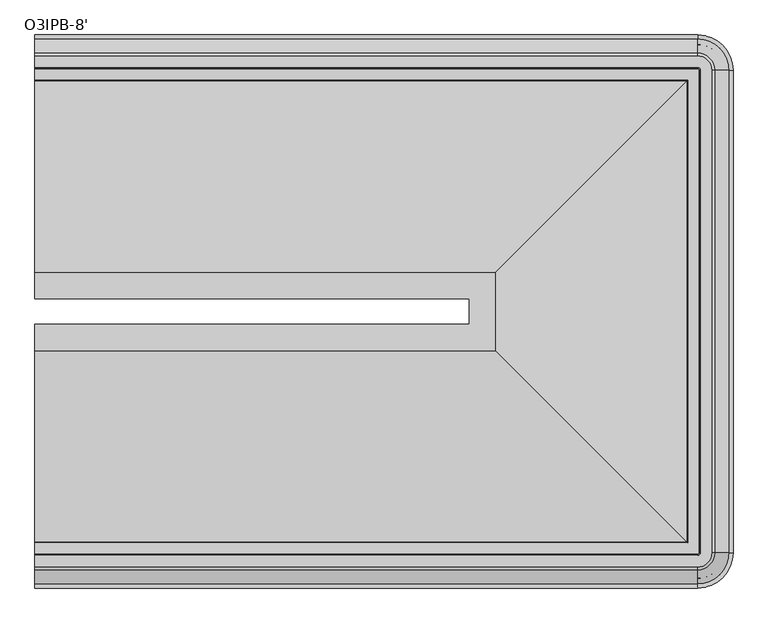
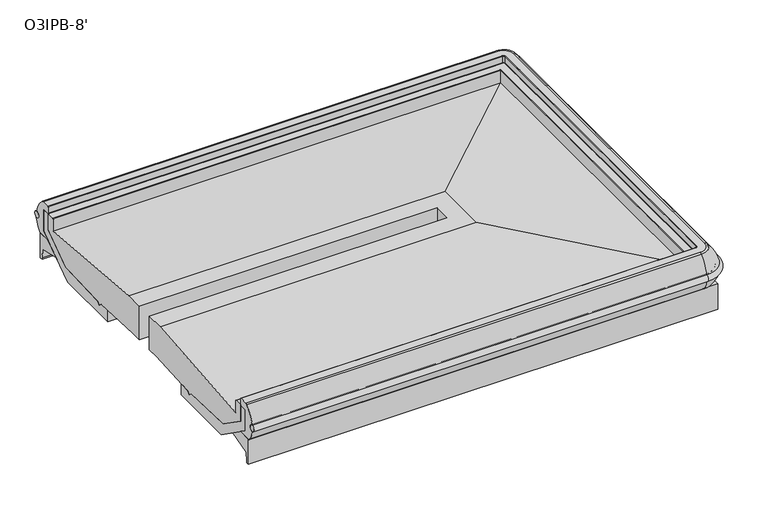
"""IFC4 building model written with IfcOpenShell, lengths in millimetres: proxy geometry, O3IPB-8'."""

from ifc_helpers import new_model, si_unit, point, frame, origin, place, context, project, spatial, polyline, circle_curve, ellipse_curve, trimmed, faceted_brep, source, transform, mapped, element, save
from ifc_brep_helpers import plane_surface, cylinder_surface, revolved_surface, advanced_brep


def o3ipb_8_96004b51(model_context):
    return source(origin(), model_context, "Body", "SolidModel", [
        advanced_brep(
        [(0.0, -1507.8694273, 640.7061243), (0.0, -1409.5264768, 640.7061243), (0.0, -1409.5264768, 451.5271474), (0.0, -1471.049877, 451.5271474), (0.0, -1764.6985468, 436.6496591), (0.0, -1779.7804526, 422.3615379), (0.0, -1794.8612198, 436.6485806), (0.0, -2093.0320063, 447.4408623), (0.0, -2255.8801353, 561.4683498), (0.0, -2255.8801353, 654.0287285), (0.0, -2254.2926353, 652.4421919), (0.0, -2211.7476353, 652.4421919), (0.0, -2210.1601353, 650.8546919), (0.0, -2210.1601353, 581.214329), (1592.3318495, -1409.5264768, 451.5271474), (1592.3318495, -1409.5264768, 640.7061243), (1592.3318495, -1317.3127778, 640.7061243), (1592.3318495, -1317.3127778, 451.5271474), (1947.5039195, -1764.6985468, 436.6496591), (1653.8552497, -1471.049877, 451.5271474), (1653.8552497, -1255.7893776, 451.5271474), (1947.5039195, -962.1407078, 436.6496591), (1962.5858253, -1779.7804526, 422.3615379), (1962.5858253, -947.058802, 422.3615379), (1977.6665925, -1794.8612198, 436.6485806), (1977.6665925, -931.9780348, 436.6485806), (2275.837379, -2093.0320063, 447.4408623), (2275.837379, -633.8072483, 447.4408623), (2438.685508, -2255.8801353, 561.4683498), (2438.685508, -470.9591193, 561.4683498), (2438.685508, -2255.8801353, 654.0287285), (2438.685508, -470.9591193, 654.0287285), (2437.098008, -2254.2926353, 652.4421919), (2437.098008, -472.5466193, 652.4421919), (2392.965508, -2210.1601353, 650.8546919), (2394.553008, -2211.7476353, 652.4421919), (2394.553008, -515.0916193, 652.4421919), (2392.965508, -516.6791193, 650.8546919), (2392.965508, -2210.1601353, 581.214329), (2392.965508, -516.6791193, 581.214329), (1690.6748, -1507.8694273, 640.7061243), (1690.6748, -1218.9698273, 640.7061243), (0.0, -1317.3127778, 640.7061243), (0.0, -1317.3127778, 451.5271474), (0.0, -1255.7893776, 451.5271474), (0.0, -962.1407078, 436.6496591), (0.0, -947.058802, 422.3615379), (0.0, -931.9780348, 436.6485806), (0.0, -633.8072483, 447.4408623), (0.0, -470.9591193, 561.4683498), (0.0, -470.9591193, 654.0287285), (0.0, -472.5466193, 652.4421919), (0.0, -515.0916193, 652.4421919), (0.0, -516.6791193, 650.8546919), (0.0, -516.6791193, 581.214329), (0.0, -1218.9698273, 640.7061243)],
        [
            (0, 1),
            (1, 2),
            (2, 3),
            (3, 4),
            (4, 5),
            (5, 6),
            (6, 7),
            (7, 8),
            (8, 9),
            (9, 10, circle_curve(frame((0.0, -2254.2926353, 654.0296919), z_axis=(1.0, 0.0, 0.0), x_axis=(0.0, 1.0, 0.0)), 1.5875)),
            (10, 11),
            (11, 12, circle_curve(frame((0.0, -2211.7476353, 650.8546919), z_axis=(-1.0, 0.0, 0.0), x_axis=(0.0, 1.0, 0.0)), 1.5875)),
            (12, 13),
            (13, 0),
            (14, 15),
            (15, 16),
            (16, 17),
            (17, 14),
            (18, 19),
            (19, 20),
            (20, 21),
            (21, 18),
            (22, 18),
            (21, 23),
            (23, 22),
            (24, 22),
            (23, 25),
            (25, 24),
            (26, 24),
            (25, 27),
            (27, 26),
            (28, 26),
            (27, 29),
            (29, 28),
            (30, 28),
            (29, 31),
            (31, 30),
            (32, 30, ellipse_curve(frame((2437.098008, -2254.2926353, 654.0296919), z_axis=(-0.7071067811865475, -0.7071067811865475, 0.0), x_axis=(-0.7071067811865474, 0.7071067811865476, 0.0)), 2.245064, 1.5875)),
            (31, 33, ellipse_curve(frame((2437.098008, -472.5466193, 654.0296919), z_axis=(-0.7071067811865475, 0.7071067811865475, 0.0), x_axis=(0.7071067811865474, 0.7071067811865476, 0.0)), 2.245064, 1.5875)),
            (33, 32),
            (34, 35, ellipse_curve(frame((2394.553008, -2211.7476353, 650.8546919), z_axis=(0.7071067811865475, 0.7071067811865475, 0.0), x_axis=(0.7071067811865474, -0.7071067811865476, 0.0)), 2.245064, 1.5875)),
            (35, 36),
            (36, 37, ellipse_curve(frame((2394.553008, -515.0916193, 650.8546919), z_axis=(0.7071067811865475, -0.7071067811865475, 0.0), x_axis=(-0.7071067811865474, -0.7071067811865476, 0.0)), 2.245064, 1.5875)),
            (37, 34),
            (38, 34),
            (37, 39),
            (39, 38),
            (40, 38),
            (39, 41),
            (41, 40),
            (16, 42),
            (42, 43),
            (43, 17),
            (20, 44),
            (44, 45),
            (45, 21),
            (45, 46),
            (46, 23),
            (46, 47),
            (47, 25),
            (47, 48),
            (48, 27),
            (48, 49),
            (49, 29),
            (49, 50),
            (50, 31),
            (50, 51, circle_curve(frame((0.0, -472.5466193, 654.0296919), z_axis=(-1.0, 0.0, 0.0), x_axis=(0.0, -1.0, 0.0)), 1.5875)),
            (51, 33),
            (36, 52),
            (52, 53, circle_curve(frame((0.0, -515.0916193, 650.8546919), z_axis=(1.0, 0.0, 0.0), x_axis=(0.0, -1.0, 0.0)), 1.5875)),
            (53, 37),
            (53, 54),
            (54, 39),
            (54, 55),
            (55, 41),
            (52, 51),
            (44, 43),
            (42, 55),
            (0, 40),
            (15, 1),
            (14, 2),
            (19, 3),
            (18, 4),
            (22, 5),
            (24, 6),
            (26, 7),
            (28, 8),
            (30, 9),
            (32, 10),
            (35, 11),
            (34, 12),
            (38, 13),
        ],
        [
            plane_surface(frame((0.0, -2377.8321273, 0.0), z_axis=(-1.0, 0.0, 0.0), x_axis=(0.0, 0.0, 1.0))),
            plane_surface(frame((1592.3318495, -1409.5264768, 640.7061243), z_axis=(-1.0, 0.0, 0.0), x_axis=(0.0, 1.0, 0.0))),
            plane_surface(frame((1653.8552497, -1471.049877, 451.5271474), z_axis=(-0.050599346041855724, 0.0, -0.9987190326513942), x_axis=(0.0, 1.0, 0.0))),
            plane_surface(frame((1947.5039195, -1764.6985468, 436.6496591), z_axis=(-0.6877446479107696, 0.0, -0.7259526839058396), x_axis=(0.0, 1.0, 0.0))),
            plane_surface(frame((1962.5858253, -1779.7804526, 422.3615379), z_axis=(0.6877446479107798, 0.0, -0.7259526839058297), x_axis=(0.0, 1.0, 0.0))),
            plane_surface(frame((1977.6665925, -1794.8612198, 436.6485806), z_axis=(0.03617128099650096, 0.0, -0.999345605099193), x_axis=(0.0, 1.0, 0.0))),
            plane_surface(frame((2275.837379, -2093.0320063, 447.4408623), z_axis=(0.5735764363510453, 0.0, -0.8191520442889925), x_axis=(0.0, 1.0, 0.0))),
            plane_surface(frame((2438.685508, -2255.8801353, 561.4683498), z_axis=(1.0, 0.0, 0.0), x_axis=(0.0, 1.0, 0.0))),
            revolved_surface(polyline([(2435.510508, -470.9591193000001, 654.0296919), (2435.510508, -2255.8801353, 654.0296919)]), (2437.098008, -2377.8321273, 654.0296919), (0.0, 1.0, 0.0)),
            cylinder_surface(frame((2394.553008, -2377.8321273, 650.8546919), z_axis=(0.0, -1.0, 0.0), x_axis=(-1.0, 0.0, 0.0)), 1.5875),
            plane_surface(frame((2392.965508, -2210.1601353, 650.8546919), z_axis=(-1.0, 0.0, 0.0), x_axis=(0.0, 1.0, 0.0))),
            plane_surface(frame((2392.965508, -2210.1601353, 581.214329), z_axis=(0.08440875151594321, 0.0, 0.9964312132141987), x_axis=(0.0, 1.0, 0.0))),
            plane_surface(frame((1592.3318495, -1317.3127778, 640.7061243), z_axis=(0.0, -1.0, 0.0), x_axis=(-1.0, 0.0, 0.0))),
            plane_surface(frame((1653.8552497, -1255.7893776, 451.5271474), z_axis=(0.0, -0.050599346041855724, -0.9987190326513942), x_axis=(-1.0, 0.0, 0.0))),
            plane_surface(frame((1947.5039195, -962.1407078, 436.6496591), z_axis=(0.0, -0.6877446479107696, -0.7259526839058396), x_axis=(-1.0, 0.0, 0.0))),
            plane_surface(frame((1962.5858253, -947.058802, 422.3615379), z_axis=(0.0, 0.6877446479107798, -0.7259526839058297), x_axis=(-1.0, 0.0, 0.0))),
            plane_surface(frame((1977.6665925, -931.9780348, 436.6485806), z_axis=(0.0, 0.03617128099650096, -0.999345605099193), x_axis=(-1.0, 0.0, 0.0))),
            plane_surface(frame((2275.837379, -633.8072483, 447.4408623), z_axis=(0.0, 0.5735764363510453, -0.8191520442889925), x_axis=(-1.0, 0.0, 0.0))),
            plane_surface(frame((2438.685508, -470.9591193, 561.4683498), z_axis=(0.0, 1.0, 0.0), x_axis=(-1.0, 0.0, 0.0))),
            revolved_surface(polyline([(0.0, -474.13411929999995, 654.0296919), (2438.685508, -474.13411929999995, 654.0296919)]), (2560.6375, -472.5466193, 654.0296919), (-1.0, 0.0, 0.0)),
            cylinder_surface(frame((2560.6375, -515.0916193, 650.8546919), z_axis=(1.0, 0.0, 0.0), x_axis=(0.0, -1.0, 0.0)), 1.5875),
            plane_surface(frame((2392.965508, -516.6791193, 650.8546919), z_axis=(0.0, -1.0, 0.0), x_axis=(-1.0, 0.0, 0.0))),
            plane_surface(frame((2392.965508, -516.6791193, 581.214329), z_axis=(0.0, 0.08440875151594321, 0.9964312132141987), x_axis=(-1.0, 0.0, 0.0))),
            plane_surface(frame((0.0, -349.0071273, 0.0), z_axis=(-1.0, 0.0, 0.0), x_axis=(0.0, 0.0, 1.0))),
            plane_surface(frame((0.0, -1507.8694273, 640.7061243), z_axis=(0.0, 0.0, 1.0), x_axis=(1.0, 0.0, 0.0))),
            plane_surface(frame((0.0, -1409.5264768, 640.7061243), z_axis=(0.0, 1.0, 0.0), x_axis=(1.0, 0.0, 0.0))),
            plane_surface(frame((0.0, -1409.5264768, 451.5271474), z_axis=(0.0, 0.0, -1.0), x_axis=(1.0, 0.0, 0.0))),
            plane_surface(frame((0.0, -1471.049877, 451.5271474), z_axis=(0.0, 0.050599346041855724, -0.9987190326513942), x_axis=(1.0, 0.0, 0.0))),
            plane_surface(frame((0.0, -1764.6985468, 436.6496591), z_axis=(0.0, 0.6877446479107696, -0.7259526839058396), x_axis=(1.0, 0.0, 0.0))),
            plane_surface(frame((0.0, -1779.7804526, 422.3615379), z_axis=(0.0, -0.6877446479107798, -0.7259526839058297), x_axis=(1.0, 0.0, 0.0))),
            plane_surface(frame((0.0, -1794.8612198, 436.6485806), z_axis=(0.0, -0.03617128099650096, -0.999345605099193), x_axis=(1.0, 0.0, 0.0))),
            plane_surface(frame((0.0, -2093.0320063, 447.4408623), z_axis=(0.0, -0.5735764363510453, -0.8191520442889925), x_axis=(1.0, 0.0, 0.0))),
            plane_surface(frame((0.0, -2255.8801353, 561.4683498), z_axis=(0.0, -1.0, 0.0), x_axis=(1.0, 0.0, 0.0))),
            revolved_surface(polyline([(2438.685508, -2252.7051352999997, 654.0296919), (0.0, -2252.7051352999997, 654.0296919)]), (0.0, -2254.2926353, 654.0296919), (1.0, 0.0, 0.0)),
            plane_surface(frame((0.0, -2254.2926353, 652.4421919), z_axis=(0.0, 0.0, 1.0), x_axis=(1.0, 0.0, 0.0))),
            cylinder_surface(frame((0.0, -2211.7476353, 650.8546919), z_axis=(-1.0, 0.0, 0.0), x_axis=(0.0, 1.0, 0.0)), 1.5875),
            plane_surface(frame((0.0, -2210.1601353, 650.8546919), z_axis=(0.0, 1.0, 0.0), x_axis=(1.0, 0.0, 0.0))),
            plane_surface(frame((0.0, -2210.1601353, 581.214329), z_axis=(0.0, -0.08440875151594321, 0.9964312132141987), x_axis=(1.0, 0.0, 0.0))),
        ],
        [
            (0, [[1, 2, 3, 4, 5, 6, 7, 8, 9, 10, 11, 12, 13, 14]]),
            (1, [[15, 16, 17, 18]]),
            (2, [[19, 20, 21, 22]]),
            (3, [[23, -22, 24, 25]]),
            (4, [[26, -25, 27, 28]]),
            (5, [[29, -28, 30, 31]]),
            (6, [[32, -31, 33, 34]]),
            (7, [[35, -34, 36, 37]]),
            (8, [[38, -37, 39, 40]]),
            (9, [[41, 42, 43, 44]]),
            (10, [[45, -44, 46, 47]]),
            (11, [[48, -47, 49, 50]]),
            (12, [[-17, 51, 52, 53]]),
            (13, [[-21, 54, 55, 56]]),
            (14, [[-24, -56, 57, 58]]),
            (15, [[-27, -58, 59, 60]]),
            (16, [[-30, -60, 61, 62]]),
            (17, [[-33, -62, 63, 64]]),
            (18, [[-36, -64, 65, 66]]),
            (19, [[-39, -66, 67, 68]]),
            (20, [[-43, 69, 70, 71]]),
            (21, [[-46, -71, 72, 73]]),
            (22, [[-49, -73, 74, 75]]),
            (23, [[-74, -72, -70, 76, -67, -65, -63, -61, -59, -57, -55, 77, -52, 78]]),
            (24, [[-1, 79, -50, -75, -78, -51, -16, 80]]),
            (25, [[-2, -80, -15, 81]]),
            (26, [[-3, -81, -18, -53, -77, -54, -20, 82]]),
            (27, [[-4, -82, -19, 83]]),
            (28, [[-5, -83, -23, 84]]),
            (29, [[-6, -84, -26, 85]]),
            (30, [[-7, -85, -29, 86]]),
            (31, [[-8, -86, -32, 87]]),
            (32, [[-9, -87, -35, 88]]),
            (33, [[-10, -88, -38, 89]]),
            (34, [[-11, -89, -40, -68, -76, -69, -42, 90]]),
            (35, [[-12, -90, -41, 91]]),
            (36, [[-13, -91, -45, 92]]),
            (37, [[-14, -92, -48, -79]]),
        ],
    ),
        advanced_brep(
        [(0.0, -368.8144397, 602.109094), (0.0, -369.0225923, 567.4550831), (0.0, -2358.0248149, 602.109094), (0.0, -2357.8166623, 567.4550831), (2430.5127227, -368.8144397, 602.109094), (2430.5127227, -369.0225923, 567.4550831), (2540.622035, -479.1319046, 567.4550831), (2540.8301876, -479.1319046, 602.109094), (2540.8301876, -2247.70735, 602.109094), (2540.622035, -2247.70735, 567.4550831), (2430.5127227, -2357.8166623, 567.4550831), (2430.5127227, -2358.0248149, 602.109094)],
        [
            (0, 1, circle_curve(frame((0.0, -366.5018517, 584.7675726), z_axis=(-1.0, 0.0, 0.0), x_axis=(0.0, 1.0, 0.0)), 17.49504)),
            (1, 0, circle_curve(frame((0.0, -366.5018517, 584.7675726), z_axis=(-1.0, 0.0, 0.0), x_axis=(0.0, 1.0, 0.0)), 17.49504)),
            (2, 3, circle_curve(frame((0.0, -2360.3374029, 584.7675726), z_axis=(-1.0, 0.0, 0.0), x_axis=(0.0, -1.0, 0.0)), 17.49504)),
            (3, 2, circle_curve(frame((0.0, -2360.3374029, 584.7675726), z_axis=(-1.0, 0.0, 0.0), x_axis=(0.0, -1.0, 0.0)), 17.49504)),
            (0, 4),
            (4, 5, circle_curve(frame((2430.5127227, -366.5018517, 584.7675726), z_axis=(-1.0, 0.0, 0.0), x_axis=(0.0, 1.0, 0.0)), 17.49504)),
            (5, 1),
            (5, 4, circle_curve(frame((2430.5127227, -366.5018517, 584.7675726), z_axis=(-1.0, 0.0, 0.0), x_axis=(0.0, 1.0, 0.0)), 17.49504)),
            (6, 5, circle_curve(frame((2430.5127227, -479.1319046, 567.4550831), z_axis=(0.0, 0.0, 1.0), x_axis=(0.0, 1.0, 0.0)), 110.1093123)),
            (4, 7, circle_curve(frame((2430.5127227, -479.1319046, 602.109094), z_axis=(0.0, 0.0, -1.0), x_axis=(0.0, 1.0, 0.0)), 110.3174648)),
            (7, 6, circle_curve(frame((2543.1427756, -479.1319046, 584.7675726), z_axis=(0.0, 1.0, 0.0), x_axis=(1.0, 0.0, 0.0)), 17.49504)),
            (6, 7, circle_curve(frame((2543.1427756, -479.1319046, 584.7675726), z_axis=(0.0, 1.0, 0.0), x_axis=(1.0, 0.0, 0.0)), 17.49504)),
            (7, 8),
            (8, 9, circle_curve(frame((2543.1427756, -2247.70735, 584.7675726), z_axis=(0.0, 1.0, 0.0), x_axis=(1.0, 0.0, 0.0)), 17.49504)),
            (9, 6),
            (9, 8, circle_curve(frame((2543.1427756, -2247.70735, 584.7675726), z_axis=(0.0, 1.0, 0.0), x_axis=(1.0, 0.0, 0.0)), 17.49504)),
            (10, 9, circle_curve(frame((2430.5127227, -2247.70735, 567.4550831), z_axis=(0.0, 0.0, 1.0), x_axis=(1.0, 0.0, 0.0)), 110.1093123)),
            (8, 11, circle_curve(frame((2430.5127227, -2247.70735, 602.109094), z_axis=(0.0, 0.0, -1.0), x_axis=(1.0, 0.0, 0.0)), 110.3174648)),
            (11, 10, circle_curve(frame((2430.5127227, -2360.3374029, 584.7675726), z_axis=(1.0, 0.0, 0.0), x_axis=(0.0, -1.0, 0.0)), 17.49504)),
            (10, 11, circle_curve(frame((2430.5127227, -2360.3374029, 584.7675726), z_axis=(1.0, 0.0, 0.0), x_axis=(0.0, -1.0, 0.0)), 17.49504)),
            (11, 2),
            (3, 10),
        ],
        [
            plane_surface(frame((0.0, -402.9319046, 0.0), z_axis=(-1.0, 0.0, 0.0), x_axis=(0.0, 0.0, 1.0))),
            plane_surface(frame((0.0, -2323.90735, 0.0), z_axis=(-1.0, 0.0, 0.0), x_axis=(0.0, 0.0, 1.0))),
            cylinder_surface(frame((0.0, -366.5018517, 584.7675726), z_axis=(-1.0, 0.0, 0.0), x_axis=(0.0, 1.0, 0.0)), 17.49504),
            revolved_surface(trimmed(ellipse_curve(frame((2430.5127227, -366.5018517, 584.7675726), z_axis=(-1.0, 0.0, 0.0), x_axis=(0.0, 1.0, 0.0)), 17.49504, 17.49504), [point((2430.5127227, -368.8144397, 602.109094))], [point((2430.5127227, -369.0225923, 567.4550831))], True, "CARTESIAN"), (2430.5127227, -479.1319046, 0.0), (0.0, 0.0, -1.0)),
            revolved_surface(trimmed(ellipse_curve(frame((2430.5127227, -366.5018517, 584.7675726), z_axis=(-1.0, 0.0, 0.0), x_axis=(0.0, 1.0, 0.0)), 17.49504, 17.49504), [point((2430.5127227, -369.0225923, 567.4550831))], [point((2430.5127227, -368.8144397, 602.109094))], True, "CARTESIAN"), (2430.5127227, -479.1319046, 0.0), (0.0, 0.0, -1.0)),
            cylinder_surface(frame((2543.1427756, -479.1319046, 584.7675726), z_axis=(0.0, 1.0, 0.0), x_axis=(1.0, 0.0, 0.0)), 17.49504),
            revolved_surface(trimmed(ellipse_curve(frame((2543.1427756, -2247.70735, 584.7675726), z_axis=(0.0, 1.0, 0.0), x_axis=(1.0, 0.0, 0.0)), 17.49504, 17.49504), [point((2540.8301876, -2247.70735, 602.109094))], [point((2540.622035, -2247.70735, 567.4550831))], True, "CARTESIAN"), (2430.5127227, -2247.70735, 0.0), (0.0, 0.0, -1.0)),
            revolved_surface(trimmed(ellipse_curve(frame((2543.1427756, -2247.70735, 584.7675726), z_axis=(0.0, 1.0, 0.0), x_axis=(1.0, 0.0, 0.0)), 17.49504, 17.49504), [point((2540.622035, -2247.70735, 567.4550831))], [point((2540.8301876, -2247.70735, 602.109094))], True, "CARTESIAN"), (2430.5127227, -2247.70735, 0.0), (0.0, 0.0, -1.0)),
            cylinder_surface(frame((2430.5127227, -2360.3374029, 584.7675726), z_axis=(1.0, 0.0, 0.0), x_axis=(0.0, -1.0, 0.0)), 17.49504),
        ],
        [
            (0, [[1, 2]]),
            (1, [[3, 4]]),
            (2, [[-1, 5, 6, 7]]),
            (2, [[-2, -7, 8, -5]]),
            (3, [[9, -6, 10, 11]]),
            (4, [[-10, -8, -9, 12]]),
            (5, [[-11, 13, 14, 15]]),
            (5, [[-12, -15, 16, -13]]),
            (6, [[17, -14, 18, 19]]),
            (7, [[-18, -16, -17, 20]]),
            (8, [[-19, 21, -4, 22]]),
            (8, [[-20, -22, -3, -21]]),
        ],
    ),
        advanced_brep(
        [(0.0, -2255.8801353, 650.3352408), (0.0, -2294.2214353, 650.3352408), (0.0, -2294.2214353, 529.8823342), (0.0, -2254.9800465, 502.405218), (0.0, -2328.2702704, 502.405218), (0.0, -2333.0315958, 504.5537563), (0.0, -2363.035322, 567.4550831), (0.0, -2362.8271695, 602.109094), (0.0, -2311.7516931, 687.0777092), (0.0, -2300.9652704, 691.305018), (0.0, -2257.4676353, 691.305018), (0.0, -2255.8801353, 689.717518), (0.0, -470.9591193, 650.3352408), (0.0, -470.9591193, 689.717518), (0.0, -469.3716193, 691.305018), (0.0, -425.8739842, 691.305018), (0.0, -415.0875615, 687.0777092), (0.0, -364.0120851, 602.109094), (0.0, -363.8039326, 567.4550831), (0.0, -393.8076588, 504.5537563), (0.0, -398.5689842, 502.405218), (0.0, -471.8592081, 502.405218), (0.0, -432.6178193, 529.8823342), (0.0, -432.6178193, 650.3352408), (2477.026808, -2247.70735, 529.8823342), (2430.5127227, -2294.2214353, 529.8823342), (2430.5127227, -2294.2214353, 650.3352408), (2477.026808, -2247.70735, 650.3352408), (2437.7854192, -2247.70735, 502.405218), (2430.5127227, -2254.9800465, 502.405218), (2515.8369685, -2247.70735, 504.5537563), (2430.5127227, -2333.0315958, 504.5537563), (2430.5127227, -2328.2702704, 502.405218), (2511.0756431, -2247.70735, 502.405218), (2545.8406947, -2247.70735, 567.4550831), (2430.5127227, -2363.035322, 567.4550831), (2545.6325422, -2247.70735, 602.109094), (2430.5127227, -2362.8271695, 602.109094), (2494.5570658, -2247.70735, 687.0777092), (2430.5127227, -2311.7516931, 687.0777092), (2483.7706431, -2247.70735, 691.305018), (2430.5127227, -2300.9652704, 691.305018), (2438.685508, -2247.70735, 689.717518), (2430.5127227, -2255.8801353, 689.717518), (2430.5127227, -2257.4676353, 691.305018), (2440.273008, -2247.70735, 691.305018), (2438.685508, -2247.70735, 650.3352408), (2430.5127227, -2255.8801353, 650.3352408), (2477.026808, -479.1319046, 650.3352408), (2477.026808, -479.1319046, 529.8823342), (2437.7854192, -479.1319046, 502.405218), (2511.0756431, -479.1319046, 502.405218), (2515.8369685, -479.1319046, 504.5537563), (2545.8406947, -479.1319046, 567.4550831), (2545.6325422, -479.1319046, 602.109094), (2494.5570658, -479.1319046, 687.0777092), (2483.7706431, -479.1319046, 691.305018), (2440.273008, -479.1319046, 691.305018), (2438.685508, -479.1319046, 689.717518), (2438.685508, -479.1319046, 650.3352408), (2430.5127227, -432.6178193, 529.8823342), (2430.5127227, -432.6178193, 650.3352408), (2430.5127227, -471.8592081, 502.405218), (2430.5127227, -393.8076588, 504.5537563), (2430.5127227, -398.5689842, 502.405218), (2430.5127227, -363.8039326, 567.4550831), (2430.5127227, -364.0120851, 602.109094), (2430.5127227, -415.0875615, 687.0777092), (2430.5127227, -425.8739842, 691.305018), (2430.5127227, -470.9591193, 689.717518), (2430.5127227, -469.3716193, 691.305018), (2430.5127227, -470.9591193, 650.3352408)],
        [
            (0, 1),
            (1, 2),
            (2, 3),
            (3, 4),
            (4, 5, circle_curve(frame((0.0, -2328.2702704, 508.755218), z_axis=(-1.0, 0.0, 0.0), x_axis=(0.0, 1.0, 0.0)), 6.35)),
            (5, 6, circle_curve(frame((0.0, -2237.8050879, 588.5829906), z_axis=(-1.0, 0.0, 0.0), x_axis=(0.0, 1.0, 0.0)), 127.0)),
            (6, 7, circle_curve(frame((0.0, -2360.5145815, 584.7675726), z_axis=(1.0, 0.0, 0.0), x_axis=(0.0, 1.0, 0.0)), 17.49504)),
            (7, 8, circle_curve(frame((0.0, -2190.9437587, 556.623568), z_axis=(-1.0, 0.0, 0.0), x_axis=(0.0, 1.0, 0.0)), 177.7999999)),
            (8, 9, circle_curve(frame((0.0, -2300.9652704, 675.430018), z_axis=(-1.0, 0.0, 0.0), x_axis=(0.0, 1.0, 0.0)), 15.875)),
            (9, 10),
            (10, 11, circle_curve(frame((0.0, -2257.4676353, 689.717518), z_axis=(-1.0, 0.0, 0.0), x_axis=(0.0, 1.0, 0.0)), 1.5875)),
            (11, 0),
            (12, 13),
            (13, 14, circle_curve(frame((0.0, -469.3716193, 689.717518), z_axis=(-1.0, 0.0, 0.0), x_axis=(0.0, -1.0, 0.0)), 1.5875)),
            (14, 15),
            (15, 16, circle_curve(frame((0.0, -425.8739842, 675.430018), z_axis=(-1.0, 0.0, 0.0), x_axis=(0.0, -1.0, 0.0)), 15.875)),
            (16, 17, circle_curve(frame((0.0, -535.8954959, 556.623568), z_axis=(-1.0, 0.0, 0.0), x_axis=(0.0, -1.0, 0.0)), 177.7999999)),
            (17, 18, circle_curve(frame((0.0, -366.3246731, 584.7675726), z_axis=(1.0, 0.0, 0.0), x_axis=(0.0, -1.0, 0.0)), 17.49504)),
            (18, 19, circle_curve(frame((0.0, -489.0341667, 588.5829906), z_axis=(-1.0, 0.0, 0.0), x_axis=(0.0, -1.0, 0.0)), 127.0)),
            (19, 20, circle_curve(frame((0.0, -398.5689842, 508.755218), z_axis=(-1.0, 0.0, 0.0), x_axis=(0.0, -1.0, 0.0)), 6.35)),
            (20, 21),
            (21, 22),
            (22, 23),
            (23, 12),
            (24, 25, circle_curve(frame((2430.5127227, -2247.70735, 529.8823342), z_axis=(0.0, 0.0, -1.0), x_axis=(0.0, -1.0, 0.0)), 46.5140852)),
            (25, 26),
            (26, 27, circle_curve(frame((2430.5127227, -2247.70735, 650.3352408), z_axis=(0.0, 0.0, 1.0), x_axis=(0.0, -1.0, 0.0)), 46.5140852)),
            (27, 24),
            (28, 29, circle_curve(frame((2430.5127227, -2247.70735, 502.405218), z_axis=(0.0, 0.0, -1.0), x_axis=(0.0, -1.0, 0.0)), 7.2726965)),
            (29, 25),
            (24, 28),
            (30, 31, circle_curve(frame((2430.5127227, -2247.70735, 504.5537563), z_axis=(0.0, 0.0, -1.0), x_axis=(0.0, -1.0, 0.0)), 85.3242458)),
            (31, 32, circle_curve(frame((2430.5127227, -2328.2702704, 508.755218), z_axis=(1.0, 0.0, 0.0), x_axis=(0.0, 1.0, 0.0)), 6.35)),
            (32, 33, circle_curve(frame((2430.5127227, -2247.70735, 502.405218), z_axis=(0.0, 0.0, 1.0), x_axis=(0.0, -1.0, 0.0)), 80.5629204)),
            (33, 30, circle_curve(frame((2511.0756431, -2247.70735, 508.755218), z_axis=(0.0, -1.0, 0.0), x_axis=(-1.0, 0.0, 0.0)), 6.35)),
            (34, 35, circle_curve(frame((2430.5127227, -2247.70735, 567.4550831), z_axis=(0.0, 0.0, -1.0), x_axis=(0.0, -1.0, 0.0)), 115.327972)),
            (35, 31, circle_curve(frame((2430.5127227, -2237.8050879, 588.5829906), z_axis=(1.0, 0.0, 0.0), x_axis=(0.0, 1.0, 0.0)), 127.0)),
            (30, 34, circle_curve(frame((2420.6104606, -2247.70735, 588.5829906), z_axis=(0.0, -1.0, 0.0), x_axis=(-1.0, 0.0, 0.0)), 127.0)),
            (36, 37, circle_curve(frame((2430.5127227, -2247.70735, 602.109094), z_axis=(0.0, 0.0, -1.0), x_axis=(0.0, -1.0, 0.0)), 115.1198195)),
            (37, 35, circle_curve(frame((2430.5127227, -2360.5145815, 584.7675726), z_axis=(-1.0, 0.0, 0.0), x_axis=(0.0, 1.0, 0.0)), 17.49504)),
            (34, 36, circle_curve(frame((2543.3199542, -2247.70735, 584.7675726), z_axis=(0.0, 1.0, 0.0), x_axis=(-1.0, 0.0, 0.0)), 17.49504)),
            (38, 39, circle_curve(frame((2430.5127227, -2247.70735, 687.0777092), z_axis=(0.0, 0.0, -1.0), x_axis=(0.0, -1.0, 0.0)), 64.0443431)),
            (39, 37, circle_curve(frame((2430.5127227, -2190.9437587, 556.623568), z_axis=(1.0, 0.0, 0.0), x_axis=(0.0, 1.0, 0.0)), 177.7999999)),
            (36, 38, circle_curve(frame((2373.7491314, -2247.70735, 556.623568), z_axis=(0.0, -1.0, 0.0), x_axis=(-1.0, 0.0, 0.0)), 177.7999999)),
            (40, 41, circle_curve(frame((2430.5127227, -2247.70735, 691.305018), z_axis=(0.0, 0.0, -1.0), x_axis=(0.0, -1.0, 0.0)), 53.2579204)),
            (41, 39, circle_curve(frame((2430.5127227, -2300.9652704, 675.430018), z_axis=(1.0, 0.0, 0.0), x_axis=(0.0, 1.0, 0.0)), 15.875)),
            (38, 40, circle_curve(frame((2483.7706431, -2247.70735, 675.430018), z_axis=(0.0, -1.0, 0.0), x_axis=(-1.0, 0.0, 0.0)), 15.875)),
            (42, 43, circle_curve(frame((2430.5127227, -2247.70735, 689.717518), z_axis=(0.0, 0.0, -1.0), x_axis=(0.0, -1.0, 0.0)), 8.1727852)),
            (43, 44, circle_curve(frame((2430.5127227, -2257.4676353, 689.717518), z_axis=(1.0, 0.0, 0.0), x_axis=(0.0, 1.0, 0.0)), 1.5875)),
            (44, 45, circle_curve(frame((2430.5127227, -2247.70735, 691.305018), z_axis=(0.0, 0.0, 1.0), x_axis=(0.0, -1.0, 0.0)), 9.7602852)),
            (45, 42, circle_curve(frame((2440.273008, -2247.70735, 689.717518), z_axis=(0.0, -1.0, 0.0), x_axis=(-1.0, 0.0, 0.0)), 1.5875)),
            (46, 47, circle_curve(frame((2430.5127227, -2247.70735, 650.3352408), z_axis=(0.0, 0.0, -1.0), x_axis=(0.0, -1.0, 0.0)), 8.1727852)),
            (47, 43),
            (42, 46),
            (27, 48),
            (48, 49),
            (49, 24),
            (49, 50),
            (50, 28),
            (33, 51),
            (51, 52, circle_curve(frame((2511.0756431, -479.1319046, 508.755218), z_axis=(0.0, -1.0, 0.0), x_axis=(-1.0, 0.0, 0.0)), 6.35)),
            (52, 30),
            (52, 53, circle_curve(frame((2420.6104606, -479.1319046, 588.5829906), z_axis=(0.0, -1.0, 0.0), x_axis=(-1.0, 0.0, 0.0)), 127.0)),
            (53, 34),
            (53, 54, circle_curve(frame((2543.3199542, -479.1319046, 584.7675726), z_axis=(0.0, 1.0, 0.0), x_axis=(-1.0, 0.0, 0.0)), 17.49504)),
            (54, 36),
            (54, 55, circle_curve(frame((2373.7491314, -479.1319046, 556.623568), z_axis=(0.0, -1.0, 0.0), x_axis=(-1.0, 0.0, 0.0)), 177.7999999)),
            (55, 38),
            (55, 56, circle_curve(frame((2483.7706431, -479.1319046, 675.430018), z_axis=(0.0, -1.0, 0.0), x_axis=(-1.0, 0.0, 0.0)), 15.875)),
            (56, 40),
            (45, 57),
            (57, 58, circle_curve(frame((2440.273008, -479.1319046, 689.717518), z_axis=(0.0, -1.0, 0.0), x_axis=(-1.0, 0.0, 0.0)), 1.5875)),
            (58, 42),
            (58, 59),
            (59, 46),
            (60, 49, circle_curve(frame((2430.5127227, -479.1319046, 529.8823342), z_axis=(0.0, 0.0, -1.0), x_axis=(1.0, 0.0, 0.0)), 46.5140852)),
            (48, 61, circle_curve(frame((2430.5127227, -479.1319046, 650.3352408), z_axis=(0.0, 0.0, 1.0), x_axis=(1.0, 0.0, 0.0)), 46.5140852)),
            (61, 60),
            (62, 50, circle_curve(frame((2430.5127227, -479.1319046, 502.405218), z_axis=(0.0, 0.0, -1.0), x_axis=(1.0, 0.0, 0.0)), 7.2726965)),
            (60, 62),
            (63, 52, circle_curve(frame((2430.5127227, -479.1319046, 504.5537563), z_axis=(0.0, 0.0, -1.0), x_axis=(1.0, 0.0, 0.0)), 85.3242458)),
            (51, 64, circle_curve(frame((2430.5127227, -479.1319046, 502.405218), z_axis=(0.0, 0.0, 1.0), x_axis=(1.0, 0.0, 0.0)), 80.5629204)),
            (64, 63, circle_curve(frame((2430.5127227, -398.5689842, 508.755218), z_axis=(1.0, 0.0, 0.0), x_axis=(0.0, -1.0, 0.0)), 6.35)),
            (65, 53, circle_curve(frame((2430.5127227, -479.1319046, 567.4550831), z_axis=(0.0, 0.0, -1.0), x_axis=(1.0, 0.0, 0.0)), 115.327972)),
            (63, 65, circle_curve(frame((2430.5127227, -489.0341667, 588.5829906), z_axis=(1.0, 0.0, 0.0), x_axis=(0.0, -1.0, 0.0)), 127.0)),
            (66, 54, circle_curve(frame((2430.5127227, -479.1319046, 602.109094), z_axis=(0.0, 0.0, -1.0), x_axis=(1.0, 0.0, 0.0)), 115.1198195)),
            (65, 66, circle_curve(frame((2430.5127227, -366.3246731, 584.7675726), z_axis=(-1.0, 0.0, 0.0), x_axis=(0.0, -1.0, 0.0)), 17.49504)),
            (67, 55, circle_curve(frame((2430.5127227, -479.1319046, 687.0777092), z_axis=(0.0, 0.0, -1.0), x_axis=(1.0, 0.0, 0.0)), 64.0443431)),
            (66, 67, circle_curve(frame((2430.5127227, -535.8954959, 556.623568), z_axis=(1.0, 0.0, 0.0), x_axis=(0.0, -1.0, 0.0)), 177.7999999)),
            (68, 56, circle_curve(frame((2430.5127227, -479.1319046, 691.305018), z_axis=(0.0, 0.0, -1.0), x_axis=(1.0, 0.0, 0.0)), 53.2579204)),
            (67, 68, circle_curve(frame((2430.5127227, -425.8739842, 675.430018), z_axis=(1.0, 0.0, 0.0), x_axis=(0.0, -1.0, 0.0)), 15.875)),
            (69, 58, circle_curve(frame((2430.5127227, -479.1319046, 689.717518), z_axis=(0.0, 0.0, -1.0), x_axis=(1.0, 0.0, 0.0)), 8.1727852)),
            (57, 70, circle_curve(frame((2430.5127227, -479.1319046, 691.305018), z_axis=(0.0, 0.0, 1.0), x_axis=(1.0, 0.0, 0.0)), 9.7602852)),
            (70, 69, circle_curve(frame((2430.5127227, -469.3716193, 689.717518), z_axis=(1.0, 0.0, 0.0), x_axis=(0.0, -1.0, 0.0)), 1.5875)),
            (71, 59, circle_curve(frame((2430.5127227, -479.1319046, 650.3352408), z_axis=(0.0, 0.0, -1.0), x_axis=(1.0, 0.0, 0.0)), 8.1727852)),
            (69, 71),
            (61, 23),
            (22, 60),
            (21, 62),
            (64, 20),
            (19, 63),
            (18, 65),
            (17, 66),
            (16, 67),
            (15, 68),
            (70, 14),
            (13, 69),
            (12, 71),
            (0, 47),
            (26, 1),
            (25, 2),
            (29, 3),
            (32, 4),
            (31, 5),
            (35, 6),
            (37, 7),
            (39, 8),
            (41, 9),
            (44, 10),
            (43, 11),
        ],
        [
            plane_surface(frame((0.0, -2323.90735, 0.0), z_axis=(-1.0, 0.0, 0.0), x_axis=(0.0, 0.0, 1.0))),
            plane_surface(frame((0.0, -402.9319046, 0.0), z_axis=(-1.0, 0.0, 0.0), x_axis=(0.0, 0.0, 1.0))),
            revolved_surface(polyline([(2430.5127227, -2294.2214352, 650.3352408), (2430.5127227, -2294.2214352, 529.8823342)]), (2430.5127227, -2247.70735, 0.0), (0.0, 0.0, 1.0)),
            revolved_surface(polyline([(2430.5127227, -2294.2214353, 529.8823342), (2430.5127227, -2254.9800465, 502.405218)]), (2430.5127227, -2247.70735, 0.0), (0.0, 0.0, 1.0)),
            revolved_surface(trimmed(ellipse_curve(frame((2430.5127227, -2328.2702704, 508.755218), z_axis=(-1.0, 0.0, 0.0), x_axis=(0.0, 1.0, 0.0)), 6.35, 6.35), [point((2430.5127227, -2328.2702704, 502.405218))], [point((2430.5127227, -2333.0315958, 504.5537563))], True, "CARTESIAN"), (2430.5127227, -2247.70735, 0.0), (0.0, 0.0, 1.0)),
            revolved_surface(trimmed(ellipse_curve(frame((2430.5127227, -2237.8050879, 588.5829906), z_axis=(-1.0, 0.0, 0.0), x_axis=(0.0, 1.0, 0.0)), 127.0, 127.0), [point((2430.5127227, -2333.0315958, 504.5537563))], [point((2430.5127227, -2363.035322, 567.4550831))], True, "CARTESIAN"), (2430.5127227, -2247.70735, 0.0), (0.0, 0.0, 1.0)),
            revolved_surface(trimmed(ellipse_curve(frame((2430.5127227, -2360.5145815, 584.7675726), z_axis=(1.0, 0.0, 0.0), x_axis=(0.0, 1.0, 0.0)), 17.49504, 17.49504), [point((2430.5127227, -2363.035322, 567.4550831))], [point((2430.5127227, -2362.8271695, 602.109094))], True, "CARTESIAN"), (2430.5127227, -2247.70735, 0.0), (0.0, 0.0, 1.0)),
            revolved_surface(trimmed(ellipse_curve(frame((2430.5127227, -2190.9437587, 556.623568), z_axis=(-1.0, 0.0, 0.0), x_axis=(0.0, 1.0, 0.0)), 177.7999999, 177.7999999), [point((2430.5127227, -2362.8271695, 602.109094))], [point((2430.5127227, -2311.7516931, 687.0777092))], True, "CARTESIAN"), (2430.5127227, -2247.70735, 0.0), (0.0, 0.0, 1.0)),
            revolved_surface(trimmed(ellipse_curve(frame((2430.5127227, -2300.9652704, 675.430018), z_axis=(-1.0, 0.0, 0.0), x_axis=(0.0, 1.0, 0.0)), 15.875, 15.875), [point((2430.5127227, -2311.7516931, 687.0777092))], [point((2430.5127227, -2300.9652704, 691.305018))], True, "CARTESIAN"), (2430.5127227, -2247.70735, 0.0), (0.0, 0.0, 1.0)),
            revolved_surface(trimmed(ellipse_curve(frame((2430.5127227, -2257.4676353, 689.717518), z_axis=(-1.0, 0.0, 0.0), x_axis=(0.0, 1.0, 0.0)), 1.5875, 1.5875), [point((2430.5127227, -2257.4676353, 691.305018))], [point((2430.5127227, -2255.8801353, 689.717518))], True, "CARTESIAN"), (2430.5127227, -2247.70735, 0.0), (0.0, 0.0, 1.0)),
            revolved_surface(polyline([(2430.5127227, -2255.8801352, 689.717518), (2430.5127227, -2255.8801352, 650.3352408)]), (2430.5127227, -2247.70735, 0.0), (0.0, 0.0, 1.0)),
            plane_surface(frame((2477.026808, -2247.70735, 650.3352408), z_axis=(-1.0, 0.0, 0.0), x_axis=(0.0, 1.0, 0.0))),
            plane_surface(frame((2477.026808, -2247.70735, 529.8823342), z_axis=(-0.5735764363510414, 0.0, 0.8191520442889951), x_axis=(0.0, 1.0, 0.0))),
            cylinder_surface(frame((2511.0756431, -2247.70735, 508.755218), z_axis=(0.0, -1.0, 0.0), x_axis=(-1.0, 0.0, 0.0)), 6.35),
            cylinder_surface(frame((2420.6104606, -2247.70735, 588.5829906), z_axis=(0.0, -1.0, 0.0), x_axis=(-1.0, 0.0, 0.0)), 127.0),
            revolved_surface(polyline([(2525.8249142000004, -479.13190459999987, 584.7675726), (2525.8249142000004, -2247.70735, 584.7675726)]), (2543.3199542, -2247.70735, 584.7675726), (0.0, 1.0, 0.0)),
            cylinder_surface(frame((2373.7491314, -2247.70735, 556.623568), z_axis=(0.0, -1.0, 0.0), x_axis=(-1.0, 0.0, 0.0)), 177.7999999),
            cylinder_surface(frame((2483.7706431, -2247.70735, 675.430018), z_axis=(0.0, -1.0, 0.0), x_axis=(-1.0, 0.0, 0.0)), 15.875),
            cylinder_surface(frame((2440.273008, -2247.70735, 689.717518), z_axis=(0.0, -1.0, 0.0), x_axis=(-1.0, 0.0, 0.0)), 1.5875),
            plane_surface(frame((2438.685508, -2247.70735, 689.717518), z_axis=(-1.0, 0.0, 0.0), x_axis=(0.0, 1.0, 0.0))),
            revolved_surface(polyline([(2477.0268078999998, -479.1319046, 650.3352408), (2477.0268078999998, -479.1319046, 529.8823342)]), (2430.5127227, -479.1319046, 0.0), (0.0, 0.0, 1.0)),
            revolved_surface(polyline([(2477.026808, -479.1319046, 529.8823342), (2437.7854192, -479.1319046, 502.405218)]), (2430.5127227, -479.1319046, 0.0), (0.0, 0.0, 1.0)),
            revolved_surface(trimmed(ellipse_curve(frame((2511.0756431, -479.1319046, 508.755218), z_axis=(0.0, -1.0, 0.0), x_axis=(-1.0, 0.0, 0.0)), 6.35, 6.35), [point((2511.0756431, -479.1319046, 502.405218))], [point((2515.8369685, -479.1319046, 504.5537563))], True, "CARTESIAN"), (2430.5127227, -479.1319046, 0.0), (0.0, 0.0, 1.0)),
            revolved_surface(trimmed(ellipse_curve(frame((2420.6104606, -479.1319046, 588.5829906), z_axis=(0.0, -1.0, 0.0), x_axis=(-1.0, 0.0, 0.0)), 127.0, 127.0), [point((2515.8369685, -479.1319046, 504.5537563))], [point((2545.8406947, -479.1319046, 567.4550831))], True, "CARTESIAN"), (2430.5127227, -479.1319046, 0.0), (0.0, 0.0, 1.0)),
            revolved_surface(trimmed(ellipse_curve(frame((2543.3199542, -479.1319046, 584.7675726), z_axis=(0.0, 1.0, 0.0), x_axis=(-1.0, 0.0, 0.0)), 17.49504, 17.49504), [point((2545.8406947, -479.1319046, 567.4550831))], [point((2545.6325422, -479.1319046, 602.109094))], True, "CARTESIAN"), (2430.5127227, -479.1319046, 0.0), (0.0, 0.0, 1.0)),
            revolved_surface(trimmed(ellipse_curve(frame((2373.7491314, -479.1319046, 556.623568), z_axis=(0.0, -1.0, 0.0), x_axis=(-1.0, 0.0, 0.0)), 177.7999999, 177.7999999), [point((2545.6325422, -479.1319046, 602.109094))], [point((2494.5570658, -479.1319046, 687.0777092))], True, "CARTESIAN"), (2430.5127227, -479.1319046, 0.0), (0.0, 0.0, 1.0)),
            revolved_surface(trimmed(ellipse_curve(frame((2483.7706431, -479.1319046, 675.430018), z_axis=(0.0, -1.0, 0.0), x_axis=(-1.0, 0.0, 0.0)), 15.875, 15.875), [point((2494.5570658, -479.1319046, 687.0777092))], [point((2483.7706431, -479.1319046, 691.305018))], True, "CARTESIAN"), (2430.5127227, -479.1319046, 0.0), (0.0, 0.0, 1.0)),
            revolved_surface(trimmed(ellipse_curve(frame((2440.273008, -479.1319046, 689.717518), z_axis=(0.0, -1.0, 0.0), x_axis=(-1.0, 0.0, 0.0)), 1.5875, 1.5875), [point((2440.273008, -479.1319046, 691.305018))], [point((2438.685508, -479.1319046, 689.717518))], True, "CARTESIAN"), (2430.5127227, -479.1319046, 0.0), (0.0, 0.0, 1.0)),
            revolved_surface(polyline([(2438.6855078999997, -479.1319046, 689.717518), (2438.6855078999997, -479.1319046, 650.3352408)]), (2430.5127227, -479.1319046, 0.0), (0.0, 0.0, 1.0)),
            plane_surface(frame((2430.5127227, -432.6178193, 650.3352408), z_axis=(0.0, -1.0, 0.0), x_axis=(-1.0, 0.0, 0.0))),
            plane_surface(frame((2430.5127227, -432.6178193, 529.8823342), z_axis=(0.0, -0.5735764363510414, 0.8191520442889951), x_axis=(-1.0, 0.0, 0.0))),
            cylinder_surface(frame((2430.5127227, -398.5689842, 508.755218), z_axis=(1.0, 0.0, 0.0), x_axis=(0.0, -1.0, 0.0)), 6.35),
            cylinder_surface(frame((2430.5127227, -489.0341667, 588.5829906), z_axis=(1.0, 0.0, 0.0), x_axis=(0.0, -1.0, 0.0)), 127.0),
            revolved_surface(polyline([(0.0, -383.8197131, 584.7675726), (2430.5127227, -383.8197131, 584.7675726)]), (2430.5127227, -366.3246731, 584.7675726), (-1.0, 0.0, 0.0)),
            cylinder_surface(frame((2430.5127227, -535.8954959, 556.623568), z_axis=(1.0, 0.0, 0.0), x_axis=(0.0, -1.0, 0.0)), 177.7999999),
            cylinder_surface(frame((2430.5127227, -425.8739842, 675.430018), z_axis=(1.0, 0.0, 0.0), x_axis=(0.0, -1.0, 0.0)), 15.875),
            cylinder_surface(frame((2430.5127227, -469.3716193, 689.717518), z_axis=(1.0, 0.0, 0.0), x_axis=(0.0, -1.0, 0.0)), 1.5875),
            plane_surface(frame((2430.5127227, -470.9591193, 689.717518), z_axis=(0.0, -1.0, 0.0), x_axis=(-1.0, 0.0, 0.0))),
            plane_surface(frame((0.0, -2255.8801353, 650.3352408), z_axis=(0.0, 0.0, -1.0), x_axis=(1.0, 0.0, 0.0))),
            plane_surface(frame((0.0, -2294.2214353, 650.3352408), z_axis=(0.0, 1.0, 0.0), x_axis=(1.0, 0.0, 0.0))),
            plane_surface(frame((0.0, -2294.2214353, 529.8823342), z_axis=(0.0, 0.5735764363510414, 0.8191520442889951), x_axis=(1.0, 0.0, 0.0))),
            plane_surface(frame((0.0, -2254.9800465, 502.405218), z_axis=(0.0, 0.0, -1.0), x_axis=(1.0, 0.0, 0.0))),
            cylinder_surface(frame((0.0, -2328.2702704, 508.755218), z_axis=(-1.0, 0.0, 0.0), x_axis=(0.0, 1.0, 0.0)), 6.35),
            cylinder_surface(frame((0.0, -2237.8050879, 588.5829906), z_axis=(-1.0, 0.0, 0.0), x_axis=(0.0, 1.0, 0.0)), 127.0),
            revolved_surface(polyline([(2430.5127227, -2343.0195415000003, 584.7675726), (0.0, -2343.0195415000003, 584.7675726)]), (0.0, -2360.5145815, 584.7675726), (1.0, 0.0, 0.0)),
            cylinder_surface(frame((0.0, -2190.9437587, 556.623568), z_axis=(-1.0, 0.0, 0.0), x_axis=(0.0, 1.0, 0.0)), 177.7999999),
            cylinder_surface(frame((0.0, -2300.9652704, 675.430018), z_axis=(-1.0, 0.0, 0.0), x_axis=(0.0, 1.0, 0.0)), 15.875),
            plane_surface(frame((0.0, -2300.9652704, 691.305018), z_axis=(0.0, 0.0, 1.0), x_axis=(1.0, 0.0, 0.0))),
            cylinder_surface(frame((0.0, -2257.4676353, 689.717518), z_axis=(-1.0, 0.0, 0.0), x_axis=(0.0, 1.0, 0.0)), 1.5875),
            plane_surface(frame((0.0, -2255.8801353, 689.717518), z_axis=(0.0, 1.0, 0.0), x_axis=(1.0, 0.0, 0.0))),
        ],
        [
            (0, [[1, 2, 3, 4, 5, 6, 7, 8, 9, 10, 11, 12]]),
            (1, [[13, 14, 15, 16, 17, 18, 19, 20, 21, 22, 23, 24]]),
            (2, [[25, 26, 27, 28]]),
            (3, [[29, 30, -25, 31]]),
            (4, [[32, 33, 34, 35]]),
            (5, [[36, 37, -32, 38]]),
            (6, [[39, 40, -36, 41]]),
            (7, [[42, 43, -39, 44]]),
            (8, [[45, 46, -42, 47]]),
            (9, [[48, 49, 50, 51]]),
            (10, [[52, 53, -48, 54]]),
            (11, [[-28, 55, 56, 57]]),
            (12, [[-31, -57, 58, 59]]),
            (13, [[-35, 60, 61, 62]]),
            (14, [[-38, -62, 63, 64]]),
            (15, [[-41, -64, 65, 66]]),
            (16, [[-44, -66, 67, 68]]),
            (17, [[-47, -68, 69, 70]]),
            (18, [[-51, 71, 72, 73]]),
            (19, [[-54, -73, 74, 75]]),
            (20, [[76, -56, 77, 78]]),
            (21, [[79, -58, -76, 80]]),
            (22, [[81, -61, 82, 83]]),
            (23, [[84, -63, -81, 85]]),
            (24, [[86, -65, -84, 87]]),
            (25, [[88, -67, -86, 89]]),
            (26, [[90, -69, -88, 91]]),
            (27, [[92, -72, 93, 94]]),
            (28, [[95, -74, -92, 96]]),
            (29, [[-78, 97, -23, 98]]),
            (30, [[-80, -98, -22, 99]]),
            (31, [[-83, 100, -20, 101]]),
            (32, [[-85, -101, -19, 102]]),
            (33, [[-87, -102, -18, 103]]),
            (34, [[-89, -103, -17, 104]]),
            (35, [[-91, -104, -16, 105]]),
            (36, [[-94, 106, -14, 107]]),
            (37, [[-96, -107, -13, 108]]),
            (38, [[-1, 109, -52, -75, -95, -108, -24, -97, -77, -55, -27, 110]]),
            (39, [[-2, -110, -26, 111]]),
            (40, [[-3, -111, -30, 112]]),
            (41, [[-4, -112, -29, -59, -79, -99, -21, -100, -82, -60, -34, 113]]),
            (42, [[-5, -113, -33, 114]]),
            (43, [[-6, -114, -37, 115]]),
            (44, [[-7, -115, -40, 116]]),
            (45, [[-8, -116, -43, 117]]),
            (46, [[-9, -117, -46, 118]]),
            (47, [[-10, -118, -45, -70, -90, -105, -15, -106, -93, -71, -50, 119]]),
            (48, [[-11, -119, -49, 120]]),
            (49, [[-12, -120, -53, -109]]),
        ],
    ),
        faceted_brep([(0.0, -2294.2214353, 650.3352408), (0.0, -2255.8801353, 650.3352408), (0.0, -2255.8801353, 561.4683498), (0.0, -2093.0320063, 447.4408623), (0.0, -1794.8612198, 436.6485806), (0.0, -1779.7804526, 422.3615379), (0.0, -1764.6985468, 436.6496591), (0.0, -1703.6334708, 439.7434751), (0.0, -1703.6334708, 374.65), (0.0, -2072.5266865, 374.65), (0.0, -2294.2214353, 529.8823342), (2438.685508, -2255.8801353, 561.4683498), (2438.685508, -2255.8801353, 650.3352408), (2438.685508, -470.9591193, 650.3352408), (2438.685508, -470.9591193, 561.4683498), (2275.837379, -2093.0320063, 447.4408623), (2275.837379, -633.8072483, 447.4408623), (1977.6665925, -1794.8612198, 436.6485806), (1977.6665925, -931.9780348, 436.6485806), (1962.5858253, -1779.7804526, 422.3615379), (1962.5858253, -947.058802, 422.3615379), (1947.5039195, -1764.6985468, 436.6496591), (1947.5039195, -962.1407078, 436.6496591), (1886.4388435, -1703.6334708, 439.7434751), (1886.4388435, -1023.2057838, 439.7434751), (1886.4388435, -1703.6334708, 374.65), (1886.4388435, -1023.2057838, 374.65), (2477.026808, -2294.2214353, 529.8823342), (2255.3320592, -2072.5266865, 374.65), (2255.3320592, -654.3125681, 374.65), (2477.026808, -432.6178193, 529.8823342), (2477.026808, -2294.2214353, 650.3352408), (2477.026808, -432.6178193, 650.3352408), (0.0, -470.9591193, 650.3352408), (0.0, -470.9591193, 561.4683498), (0.0, -633.8072483, 447.4408623), (0.0, -931.9780348, 436.6485806), (0.0, -947.058802, 422.3615379), (0.0, -962.1407078, 436.6496591), (0.0, -1023.2057838, 439.7434751), (0.0, -1023.2057838, 374.65), (0.0, -654.3125681, 374.65), (0.0, -432.6178193, 529.8823342), (0.0, -432.6178193, 650.3352408)], [[[0, 1, 2, 3, 4, 5, 6, 7, 8, 9, 10]], [[11, 12, 13, 14]], [[15, 11, 14, 16]], [[17, 15, 16, 18]], [[19, 17, 18, 20]], [[21, 19, 20, 22]], [[23, 21, 22, 24]], [[25, 23, 24, 26]], [[27, 28, 29, 30]], [[31, 27, 30, 32]], [[14, 13, 33, 34]], [[16, 14, 34, 35]], [[18, 16, 35, 36]], [[20, 18, 36, 37]], [[22, 20, 37, 38]], [[24, 22, 38, 39]], [[26, 24, 39, 40]], [[30, 29, 41, 42]], [[32, 30, 42, 43]], [[43, 42, 41, 40, 39, 38, 37, 36, 35, 34, 33]], [[1, 0, 31, 32, 43, 33, 13, 12]], [[2, 1, 12, 11]], [[3, 2, 11, 15]], [[4, 3, 15, 17]], [[5, 4, 17, 19]], [[6, 5, 19, 21]], [[7, 6, 21, 23]], [[8, 7, 23, 25]], [[9, 8, 25, 26, 40, 41, 29, 28]], [[10, 9, 28, 27]], [[0, 10, 27, 31]]]),
        faceted_brep([(0.0, -2166.5017771, 440.4520668), (0.0, -2167.244788, 439.3909373), (0.0, -2182.8496344, 450.3175684), (0.0, -2307.37978, 418.2709148), (0.0, -2311.3792704, 369.626718), (0.0, -2311.3792704, 359.085718), (0.0, -2326.1112704, 359.085718), (0.0, -2326.1112704, 502.405218), (0.0, -2254.9800465, 502.405218), (2350.0501607, -2167.244788, 439.3909373), (2349.3071498, -2166.5017771, 440.4520668), (2349.3071498, -560.3374775, 440.4520668), (2350.0501607, -559.5944666, 439.3909373), (2365.6550071, -2182.8496344, 450.3175684), (2365.6550071, -543.9896202, 450.3175684), (2490.1851527, -2307.37978, 418.2709148), (2490.1851527, -419.4594746, 418.2709148), (2494.1846431, -2311.3792704, 369.626718), (2494.1846431, -415.4599842, 369.626718), (2494.1846431, -2311.3792704, 359.085718), (2494.1846431, -415.4599842, 359.085718), (2508.9166431, -2326.1112704, 502.405218), (2508.9166431, -2326.1112704, 359.085718), (2508.9166431, -400.7279842, 359.085718), (2508.9166431, -400.7279842, 502.405218), (2437.7854192, -2254.9800465, 502.405218), (2437.7854192, -471.8592081, 502.405218), (0.0, -560.3374775, 440.4520668), (0.0, -559.5944666, 439.3909373), (0.0, -543.9896202, 450.3175684), (0.0, -419.4594746, 418.2709148), (0.0, -415.4599842, 369.626718), (0.0, -415.4599842, 359.085718), (0.0, -400.7279842, 359.085718), (0.0, -400.7279842, 502.405218), (0.0, -471.8592081, 502.405218)], [[[0, 1, 2, 3, 4, 5, 6, 7, 8]], [[9, 10, 11, 12]], [[13, 9, 12, 14]], [[15, 13, 14, 16]], [[17, 15, 16, 18]], [[19, 17, 18, 20]], [[21, 22, 23, 24]], [[10, 25, 26, 11]], [[12, 11, 27, 28]], [[14, 12, 28, 29]], [[16, 14, 29, 30]], [[18, 16, 30, 31]], [[20, 18, 31, 32]], [[24, 23, 33, 34]], [[11, 26, 35, 27]], [[27, 35, 34, 33, 32, 31, 30, 29, 28]], [[1, 0, 10, 9]], [[2, 1, 9, 13]], [[3, 2, 13, 15]], [[4, 3, 15, 17]], [[5, 4, 17, 19]], [[6, 5, 19, 20, 32, 33, 23, 22]], [[7, 6, 22, 21]], [[8, 7, 21, 24, 34, 35, 26, 25]], [[0, 8, 25, 10]]]),
    ])


if __name__ == "__main__":
    model = new_model("IFC4")
    model_context = context("Model", 3, world=origin())
    ifc_project = project(units=[si_unit("LENGTHUNIT", "METRE", prefix="MILLI")], contexts=[model_context])
    site = spatial("IfcSite", under=ifc_project)
    building = spatial("IfcBuilding", under=site)
    placement = place(None, origin())
    o3ipb_8_shape = o3ipb_8_96004b51(model_context)
    element("IfcBuildingElementProxy", 1, Name="O3IPB-8'", ObjectType="O3IPB-8'", at=placement, inside=building, context=model_context, shape_type="MappedRepresentation", body=[
        mapped(o3ipb_8_shape, transform((0.0, 0.0, 0.0), x_axis=(1.0, 0.0, 0.0), y_axis=(0.0, 1.0, 0.0), z_axis=(0.0, 0.0, 1.0))),
    ])
    save(model, "model.ifc")
